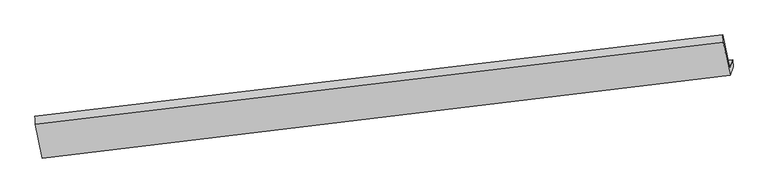
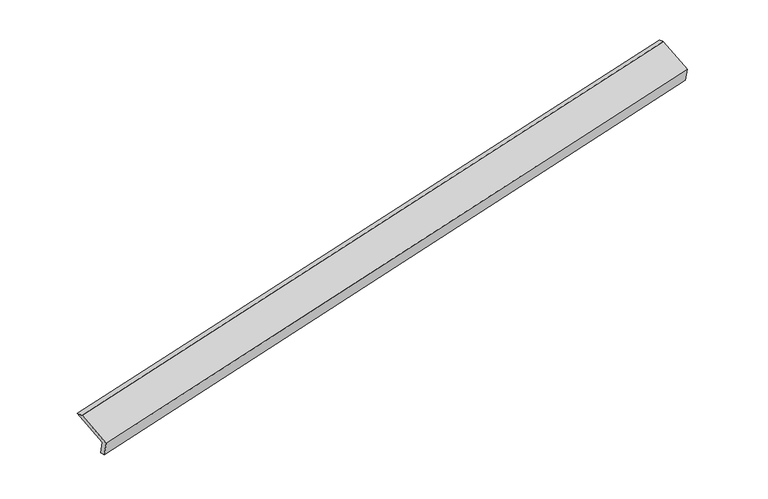
"""IFC4 building model written with IfcOpenShell, lengths in millimetres: proxy geometry."""

from ifc_helpers import new_model, si_unit, frame, origin, place, context, project, spatial, source, transform, mapped, element, save
from ifc_brep_helpers import plane_surface, spline_surface, advanced_brep


def generic_models_8b96e5a8(model_context):
    return source(origin(), model_context, "Body", "AdvancedBrep", [
        advanced_brep(
        [(-9712.5787894, -2380.2239563, 83.1445206), (-9772.8981266, -2554.6121174, 461.6156252), (4099.7785741, -887.7650749, 3401.6868825), (4159.3816287, -715.4477456, 3027.7100626), (-9704.3190092, -2515.4065772, 119.1090765), (4167.6414088, -850.6303666, 3063.6746184), (-9767.2986495, -2697.4858932, 514.2721391), (4105.3780512, -1030.6388507, 3454.3433964), (-9910.8282941, -2011.7679392, 807.3552272), (3964.6834195, -358.4652712, 3741.6374759), (-9919.7590511, -1852.9788557, 761.5010836), (3958.5876754, -213.2205623, 3689.9943238)],
        [
            (0, 1),
            (1, 2),
            (2, 3),
            (3, 0),
            (4, 0),
            (3, 5),
            (5, 4),
            (6, 4),
            (5, 7),
            (7, 6),
            (8, 6),
            (7, 9),
            (9, 8),
            (10, 8),
            (9, 11),
            (11, 10),
            (1, 10),
            (11, 2),
        ],
        [
            plane_surface(frame((-9742.738458, -2467.4180368, 272.3800729), z_axis=(-0.19021306148432784, 0.9028145875220208, 0.3856744894314411), x_axis=(-0.14325652217740123, -0.41416637929635375, 0.898856929168477))),
            plane_surface(frame((-9708.4488993, -2447.8152667, 101.1267986), z_axis=(0.22887092959396405, -0.23719276645147883, -0.9441174127882024), x_axis=(-0.058944300670362916, 0.9647042527936954, -0.2566539967743336))),
            plane_surface(frame((-9735.8088293, -2606.4462352, 316.6906078), z_axis=(0.19021306148433434, -0.9028145875220008, -0.38567448943148475), x_axis=(0.1432565221772966, 0.4141663792963861, -0.8988569291684789))),
            plane_surface(frame((-9839.0634718, -2354.6269162, 660.8136831), z_axis=(-0.14087477128496567, -0.41388422844606676, 0.8993631881831795), x_axis=(0.18900086176109698, -0.9029583021375489, -0.38593390477442885))),
            spline_surface(1, 1, [[(-9919.7590511, -1852.9788557, 761.5010836), (3958.5876754, -213.2205623, 3689.9943238)], [(-9910.8282941, -2011.7679392, 807.3552272), (3964.6834195, -358.4652712, 3741.6374759)]], [2, 2], [2, 2], [0.0, 1.0], [0.0, 1.0]),
            plane_surface(frame((-9846.3285888, -2203.7954866, 611.5583544), z_axis=(0.14087477128497802, 0.4138842284460054, -0.8993631881832055), x_axis=(-0.18900086176109973, 0.9029583021375753, 0.38593390477436523))),
            plane_surface(frame((4075.9084596, -676.0279785, 3396.5077933), z_axis=(0.9714711746146821, 0.1145971852244872, 0.20763246863483215), x_axis=(0.18900086176109698, -0.9029583021375489, -0.38593390477442885))),
            plane_surface(frame((-9797.9469866, -2335.4125565, 457.8329454), z_axis=(-0.9714711746146194, -0.1145971852246676, -0.2076324686350262), x_axis=(0.14325652217741183, 0.4141663792963525, -0.898856929168476))),
        ],
        [
            (0, [[1, 2, 3, 4]]),
            (1, [[5, -4, 6, 7]]),
            (2, [[8, -7, 9, 10]]),
            (3, [[11, -10, 12, 13]]),
            (4, [[14, -13, 15, 16]]),
            (5, [[17, -16, 18, -2]]),
            (6, [[-12, -9, -6, -3, -18, -15]]),
            (7, [[-1, -5, -8, -11, -14, -17]]),
        ],
    ),
    ])


if __name__ == "__main__":
    model = new_model("IFC4")
    model_context = context("Model", 3, world=origin())
    ifc_project = project(units=[si_unit("LENGTHUNIT", "METRE", prefix="MILLI")], contexts=[model_context])
    site = spatial("IfcSite", under=ifc_project)
    building = spatial("IfcBuilding", under=site)
    placement = place(None, origin())
    generic_models_shape = generic_models_8b96e5a8(model_context)
    element("IfcBuildingElementProxy", 1, Name="Generic Models", at=placement, inside=building, context=model_context, shape_type="MappedRepresentation", body=[
        mapped(generic_models_shape, transform((0.0, 0.0, 0.0), x_axis=(1.0, 0.0, 0.0), y_axis=(0.0, 1.0, 0.0), z_axis=(0.0, 0.0, 1.0))),
    ])
    save(model, "model.ifc")
